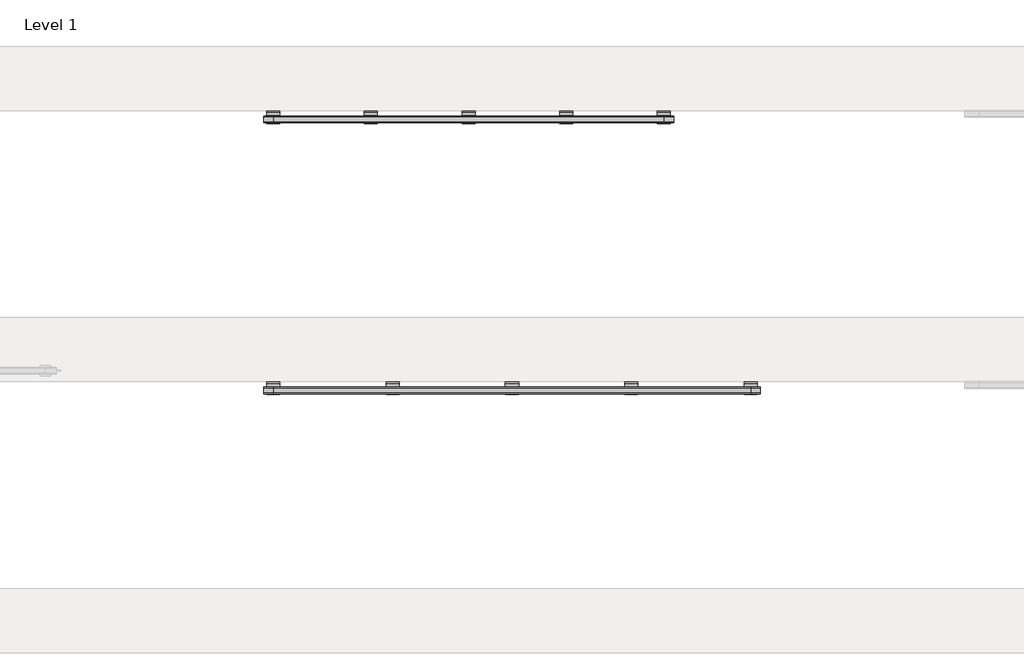
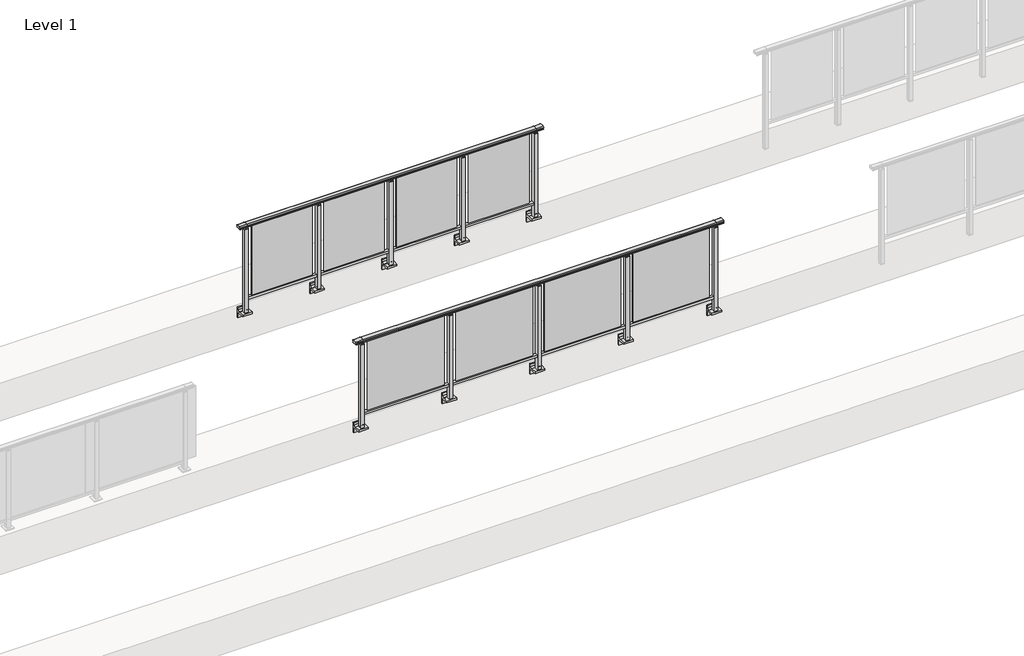
# One storey, part 48 of 64: 2 railings.
"""IFC4 building model written with IfcOpenShell, lengths in millimetres."""

from ifc_helpers import new_model, si_unit, point, frame, frame_2d, origin, place, context, project, spatial, polyline, circle_curve, trimmed, segment, composite_curve, outline, extrude, element, save
from ifc_brep_helpers import plane_surface, cylinder_surface, revolved_surface, advanced_brep

model = new_model("IFC4")

# Units and contexts
model_context = context("Model", 3, world=origin())
ifc_project = project(units=[si_unit("LENGTHUNIT", "METRE", prefix="MILLI")], contexts=[model_context])

# Site, building, storey
site = spatial("IfcSite", under=ifc_project)
building = spatial("IfcBuilding", under=site)
storey = spatial("IfcBuildingStorey", under=building, Name="Level 1", Elevation=0.0)

# Railings
placement = place(None, origin())
element("IfcRailing", 1, at=placement, inside=storey, context=model_context, shape_type="SolidModel", body=[
    advanced_brep(
    [(42910.0, 19842.8633756, 1095.6691182), (42910.0, 19847.6846828, 1081.1334092), (42910.0, 19846.7413744, 1069.2539035), (42910.0, 19848.6364177, 1061.4863007), (42910.0, 19846.9894799, 1060.384124), (42910.0, 19846.9894799, 1062.0), (42910.0, 19788.3798858, 1062.0), (42910.0, 19788.3798858, 1060.384124), (42910.0, 19786.732948, 1061.4863007), (42910.0, 19788.6279912, 1069.2539035), (42910.0, 19787.6846828, 1081.1334092), (42910.0, 19792.50599, 1095.6691182), (47490.0, 19842.8633756, 1095.6691182), (47490.0, 19792.50599, 1095.6691182), (47490.0, 19787.6846828, 1081.1334092), (47490.0, 19788.6279912, 1069.2539035), (47490.0, 19786.732948, 1061.4863007), (47490.0, 19788.3798858, 1060.384124), (47490.0, 19788.3798858, 1062.0), (47490.0, 19846.9894799, 1062.0), (47490.0, 19846.9894799, 1060.384124), (47490.0, 19848.6364177, 1061.4863007), (47490.0, 19846.7413744, 1069.2539035), (47490.0, 19847.6846828, 1081.1334092), (43000.0, 19842.8633756, 1095.6691182), (43000.0, 19847.6846828, 1081.1334092), (43000.0, 19846.7413744, 1069.2539035), (43000.0, 19848.6364177, 1061.4863007), (43000.0, 19846.9894799, 1060.384124), (43000.0, 19846.9894799, 1062.0), (43000.0, 19788.3798858, 1062.0), (43000.0, 19788.3798858, 1060.384124), (43000.0, 19786.732948, 1061.4863007), (43000.0, 19788.6279912, 1069.2539035), (43000.0, 19787.6846828, 1081.1334092), (43000.0, 19792.50599, 1095.6691182), (47400.0, 19842.8633756, 1095.6691182), (47400.0, 19847.6846828, 1081.1334092), (47400.0, 19846.7413744, 1069.2539035), (47400.0, 19848.6364177, 1061.4863007), (47400.0, 19846.9894799, 1060.384124), (47400.0, 19846.9894799, 1062.0), (47400.0, 19788.3798858, 1062.0), (47400.0, 19788.3798858, 1060.384124), (47400.0, 19786.732948, 1061.4863007), (47400.0, 19788.6279912, 1069.2539035), (47400.0, 19787.6846828, 1081.1334092), (47400.0, 19792.50599, 1095.6691182)],
    [
        (0, 1, circle_curve(frame((42910.0, 19839.6223845, 1086.526686), z_axis=(-1.0, 0.0, 0.0), x_axis=(0.0, -1.0, 0.0)), 9.6999015)),
        (1, 2, circle_curve(frame((42910.0, 19865.2252545, 1073.7633709), z_axis=(1.0, 0.0, 0.0), x_axis=(0.0, -1.0, 0.0)), 19.0260117)),
        (2, 3),
        (3, 4, circle_curve(frame((42910.0, 19847.7772073, 1060.9886194), z_axis=(-1.0, 0.0, 0.0), x_axis=(0.0, -1.0, 0.0)), 0.9929396)),
        (4, 5),
        (5, 6),
        (6, 7),
        (7, 8, circle_curve(frame((42910.0, 19787.5921584, 1060.9886194), z_axis=(-1.0, 0.0, 0.0), x_axis=(0.0, 1.0, 0.0)), 0.9929396)),
        (8, 9),
        (9, 10, circle_curve(frame((42910.0, 19770.1441111, 1073.7633709), z_axis=(1.0, 0.0, 0.0), x_axis=(0.0, 1.0, 0.0)), 19.0260117)),
        (10, 11, circle_curve(frame((42910.0, 19795.7469812, 1086.526686), z_axis=(-1.0, 0.0, 0.0), x_axis=(0.0, 1.0, 0.0)), 9.6999015)),
        (11, 0, circle_curve(frame((42910.0, 19817.6846828, 1024.6431628), z_axis=(-1.0, 0.0, 0.0), x_axis=(0.0, 1.0, 0.0)), 75.3568372)),
        (12, 13, circle_curve(frame((47490.0, 19817.6846828, 1024.6431628), z_axis=(1.0, 0.0, 0.0), x_axis=(0.0, 1.0, 0.0)), 75.3568372)),
        (13, 14, circle_curve(frame((47490.0, 19795.7469812, 1086.526686), z_axis=(1.0, 0.0, 0.0), x_axis=(0.0, 1.0, 0.0)), 9.6999015)),
        (14, 15, circle_curve(frame((47490.0, 19770.1441111, 1073.7633709), z_axis=(-1.0, 0.0, 0.0), x_axis=(0.0, 1.0, 0.0)), 19.0260117)),
        (15, 16),
        (16, 17, circle_curve(frame((47490.0, 19787.5921584, 1060.9886194), z_axis=(1.0, 0.0, 0.0), x_axis=(0.0, 1.0, 0.0)), 0.9929396)),
        (17, 18),
        (18, 19),
        (19, 20),
        (20, 21, circle_curve(frame((47490.0, 19847.7772073, 1060.9886194), z_axis=(1.0, 0.0, 0.0), x_axis=(0.0, -1.0, 0.0)), 0.9929396)),
        (21, 22),
        (22, 23, circle_curve(frame((47490.0, 19865.2252545, 1073.7633709), z_axis=(-1.0, 0.0, 0.0), x_axis=(0.0, -1.0, 0.0)), 19.0260117)),
        (23, 12, circle_curve(frame((47490.0, 19839.6223845, 1086.526686), z_axis=(1.0, 0.0, 0.0), x_axis=(0.0, -1.0, 0.0)), 9.6999015)),
        (0, 24),
        (24, 25, circle_curve(frame((43000.0, 19839.6223845, 1086.526686), z_axis=(-1.0, 0.0, 0.0), x_axis=(0.0, -1.0, 0.0)), 9.6999015)),
        (25, 1),
        (25, 26, circle_curve(frame((43000.0, 19865.2252545, 1073.7633709), z_axis=(1.0, 0.0, 0.0), x_axis=(0.0, -1.0, 0.0)), 19.0260117)),
        (26, 2),
        (26, 27),
        (27, 3),
        (27, 28, circle_curve(frame((43000.0, 19847.7772073, 1060.9886194), z_axis=(-1.0, 0.0, 0.0), x_axis=(0.0, -1.0, 0.0)), 0.9929396)),
        (28, 4),
        (28, 29),
        (29, 5),
        (29, 30),
        (30, 6),
        (30, 31),
        (31, 7),
        (31, 32, circle_curve(frame((43000.0, 19787.5921584, 1060.9886194), z_axis=(-1.0, 0.0, 0.0), x_axis=(0.0, 1.0, 0.0)), 0.9929396)),
        (32, 8),
        (32, 33),
        (33, 9),
        (33, 34, circle_curve(frame((43000.0, 19770.1441111, 1073.7633709), z_axis=(1.0, 0.0, 0.0), x_axis=(0.0, 1.0, 0.0)), 19.0260117)),
        (34, 10),
        (34, 35, circle_curve(frame((43000.0, 19795.7469812, 1086.526686), z_axis=(-1.0, 0.0, 0.0), x_axis=(0.0, 1.0, 0.0)), 9.6999015)),
        (35, 11),
        (35, 24, circle_curve(frame((43000.0, 19817.6846828, 1024.6431628), z_axis=(-1.0, 0.0, 0.0), x_axis=(0.0, 1.0, 0.0)), 75.3568372)),
        (24, 36),
        (36, 37, circle_curve(frame((47400.0, 19839.6223845, 1086.526686), z_axis=(-1.0, 0.0, 0.0), x_axis=(0.0, -1.0, 0.0)), 9.6999015)),
        (37, 25),
        (37, 38, circle_curve(frame((47400.0, 19865.2252545, 1073.7633709), z_axis=(1.0, 0.0, 0.0), x_axis=(0.0, -1.0, 0.0)), 19.0260117)),
        (38, 26),
        (38, 39),
        (39, 27),
        (39, 40, circle_curve(frame((47400.0, 19847.7772073, 1060.9886194), z_axis=(-1.0, 0.0, 0.0), x_axis=(0.0, -1.0, 0.0)), 0.9929396)),
        (40, 28),
        (40, 41),
        (41, 29),
        (41, 42),
        (42, 30),
        (42, 43),
        (43, 31),
        (43, 44, circle_curve(frame((47400.0, 19787.5921584, 1060.9886194), z_axis=(-1.0, 0.0, 0.0), x_axis=(0.0, 1.0, 0.0)), 0.9929396)),
        (44, 32),
        (44, 45),
        (45, 33),
        (45, 46, circle_curve(frame((47400.0, 19770.1441111, 1073.7633709), z_axis=(1.0, 0.0, 0.0), x_axis=(0.0, 1.0, 0.0)), 19.0260117)),
        (46, 34),
        (46, 47, circle_curve(frame((47400.0, 19795.7469812, 1086.526686), z_axis=(-1.0, 0.0, 0.0), x_axis=(0.0, 1.0, 0.0)), 9.6999015)),
        (47, 35),
        (47, 36, circle_curve(frame((47400.0, 19817.6846828, 1024.6431628), z_axis=(-1.0, 0.0, 0.0), x_axis=(0.0, 1.0, 0.0)), 75.3568372)),
        (36, 12),
        (23, 37),
        (22, 38),
        (21, 39),
        (20, 40),
        (19, 41),
        (18, 42),
        (17, 43),
        (16, 44),
        (15, 45),
        (14, 46),
        (13, 47),
    ],
    [
        plane_surface(frame((42910.0, 19817.6846828, 1100.0), z_axis=(-1.0, 0.0, 0.0), x_axis=(0.0, 1.0, 0.0))),
        plane_surface(frame((47490.0, 19817.6846828, 1100.0), z_axis=(1.0, 0.0, 0.0), x_axis=(0.0, 1.0, 0.0))),
        cylinder_surface(frame((42910.0, 19839.6223845, 1086.526686), z_axis=(-1.0, 0.0, 0.0), x_axis=(0.0, -1.0, 0.0)), 9.6999015),
        revolved_surface(polyline([(43000.0, 19846.1992428, 1073.7633709), (42910.0, 19846.1992428, 1073.7633709)]), (42910.0, 19865.2252545, 1073.7633709), (1.0, 0.0, 0.0)),
        plane_surface(frame((42910.0, 19846.7413744, 1069.2539035), z_axis=(0.0, 0.9715057689301543, 0.2370159086125439), x_axis=(1.0, 0.0, 0.0))),
        cylinder_surface(frame((42910.0, 19847.7772073, 1060.9886194), z_axis=(-1.0, 0.0, 0.0), x_axis=(0.0, -1.0, 0.0)), 0.9929396),
        plane_surface(frame((42910.0, 19846.9894799, 1060.384124), z_axis=(0.0, -1.0, 0.0), x_axis=(1.0, 0.0, 0.0))),
        plane_surface(frame((42910.0, 19846.9894799, 1062.0), z_axis=(0.0, 0.0, -1.0), x_axis=(1.0, 0.0, 0.0))),
        plane_surface(frame((42910.0, 19788.3798858, 1062.0), z_axis=(0.0, 1.0, 0.0), x_axis=(1.0, 0.0, 0.0))),
        cylinder_surface(frame((42910.0, 19787.5921584, 1060.9886194), z_axis=(-1.0, 0.0, 0.0), x_axis=(0.0, 1.0, 0.0)), 0.9929396),
        plane_surface(frame((42910.0, 19786.732948, 1061.4863007), z_axis=(0.0, -0.9715057689301543, 0.2370159086125439), x_axis=(1.0, 0.0, 0.0))),
        revolved_surface(polyline([(43000.0, 19789.1701228, 1073.7633709), (42910.0, 19789.1701228, 1073.7633709)]), (42910.0, 19770.1441111, 1073.7633709), (1.0, 0.0, 0.0)),
        cylinder_surface(frame((42910.0, 19795.7469812, 1086.526686), z_axis=(-1.0, 0.0, 0.0), x_axis=(0.0, 1.0, 0.0)), 9.6999015),
        cylinder_surface(frame((42910.0, 19817.6846828, 1024.6431628), z_axis=(-1.0, 0.0, 0.0), x_axis=(0.0, 1.0, 0.0)), 75.3568372),
        cylinder_surface(frame((43000.0, 19839.6223845, 1086.526686), z_axis=(-1.0, 0.0, 0.0), x_axis=(0.0, -1.0, 0.0)), 9.6999015),
        revolved_surface(polyline([(47400.0, 19846.1992428, 1073.7633709), (43000.0, 19846.1992428, 1073.7633709)]), (43000.0, 19865.2252545, 1073.7633709), (1.0, 0.0, 0.0)),
        plane_surface(frame((43000.0, 19846.7413744, 1069.2539035), z_axis=(0.0, 0.9715057689301543, 0.2370159086125439), x_axis=(1.0, 0.0, 0.0))),
        cylinder_surface(frame((43000.0, 19847.7772073, 1060.9886194), z_axis=(-1.0, 0.0, 0.0), x_axis=(0.0, -1.0, 0.0)), 0.9929396),
        plane_surface(frame((43000.0, 19846.9894799, 1060.384124), z_axis=(0.0, -1.0, 0.0), x_axis=(1.0, 0.0, 0.0))),
        plane_surface(frame((43000.0, 19846.9894799, 1062.0), z_axis=(0.0, 0.0, -1.0), x_axis=(1.0, 0.0, 0.0))),
        plane_surface(frame((43000.0, 19788.3798858, 1062.0), z_axis=(0.0, 1.0, 0.0), x_axis=(1.0, 0.0, 0.0))),
        cylinder_surface(frame((43000.0, 19787.5921584, 1060.9886194), z_axis=(-1.0, 0.0, 0.0), x_axis=(0.0, 1.0, 0.0)), 0.9929396),
        plane_surface(frame((43000.0, 19786.732948, 1061.4863007), z_axis=(0.0, -0.9715057689301543, 0.2370159086125439), x_axis=(1.0, 0.0, 0.0))),
        revolved_surface(polyline([(47400.0, 19789.1701228, 1073.7633709), (43000.0, 19789.1701228, 1073.7633709)]), (43000.0, 19770.1441111, 1073.7633709), (1.0, 0.0, 0.0)),
        cylinder_surface(frame((43000.0, 19795.7469812, 1086.526686), z_axis=(-1.0, 0.0, 0.0), x_axis=(0.0, 1.0, 0.0)), 9.6999015),
        cylinder_surface(frame((43000.0, 19817.6846828, 1024.6431628), z_axis=(-1.0, 0.0, 0.0), x_axis=(0.0, 1.0, 0.0)), 75.3568372),
        cylinder_surface(frame((47400.0, 19839.6223845, 1086.526686), z_axis=(-1.0, 0.0, 0.0), x_axis=(0.0, -1.0, 0.0)), 9.6999015),
        revolved_surface(polyline([(47490.0, 19846.1992428, 1073.7633709), (47400.0, 19846.1992428, 1073.7633709)]), (47400.0, 19865.2252545, 1073.7633709), (1.0, 0.0, 0.0)),
        plane_surface(frame((47400.0, 19846.7413744, 1069.2539035), z_axis=(0.0, 0.9715057689301543, 0.2370159086125439), x_axis=(1.0, 0.0, 0.0))),
        cylinder_surface(frame((47400.0, 19847.7772073, 1060.9886194), z_axis=(-1.0, 0.0, 0.0), x_axis=(0.0, -1.0, 0.0)), 0.9929396),
        plane_surface(frame((47400.0, 19846.9894799, 1060.384124), z_axis=(0.0, -1.0, 0.0), x_axis=(1.0, 0.0, 0.0))),
        plane_surface(frame((47400.0, 19846.9894799, 1062.0), z_axis=(0.0, 0.0, -1.0), x_axis=(1.0, 0.0, 0.0))),
        plane_surface(frame((47400.0, 19788.3798858, 1062.0), z_axis=(0.0, 1.0, 0.0), x_axis=(1.0, 0.0, 0.0))),
        cylinder_surface(frame((47400.0, 19787.5921584, 1060.9886194), z_axis=(-1.0, 0.0, 0.0), x_axis=(0.0, 1.0, 0.0)), 0.9929396),
        plane_surface(frame((47400.0, 19786.732948, 1061.4863007), z_axis=(0.0, -0.9715057689301543, 0.2370159086125439), x_axis=(1.0, 0.0, 0.0))),
        revolved_surface(polyline([(47490.0, 19789.1701228, 1073.7633709), (47400.0, 19789.1701228, 1073.7633709)]), (47400.0, 19770.1441111, 1073.7633709), (1.0, 0.0, 0.0)),
        cylinder_surface(frame((47400.0, 19795.7469812, 1086.526686), z_axis=(-1.0, 0.0, 0.0), x_axis=(0.0, 1.0, 0.0)), 9.6999015),
        cylinder_surface(frame((47400.0, 19817.6846828, 1024.6431628), z_axis=(-1.0, 0.0, 0.0), x_axis=(0.0, 1.0, 0.0)), 75.3568372),
    ],
    [
        (0, [[1, 2, 3, 4, 5, 6, 7, 8, 9, 10, 11, 12]]),
        (1, [[13, 14, 15, 16, 17, 18, 19, 20, 21, 22, 23, 24]]),
        (2, [[-1, 25, 26, 27]]),
        (3, [[-2, -27, 28, 29]]),
        (4, [[-3, -29, 30, 31]]),
        (5, [[-4, -31, 32, 33]]),
        (6, [[-5, -33, 34, 35]]),
        (7, [[-6, -35, 36, 37]]),
        (8, [[-7, -37, 38, 39]]),
        (9, [[-8, -39, 40, 41]]),
        (10, [[-9, -41, 42, 43]]),
        (11, [[-10, -43, 44, 45]]),
        (12, [[-11, -45, 46, 47]]),
        (13, [[-12, -47, 48, -25]]),
        (14, [[-26, 49, 50, 51]]),
        (15, [[-28, -51, 52, 53]]),
        (16, [[-30, -53, 54, 55]]),
        (17, [[-32, -55, 56, 57]]),
        (18, [[-34, -57, 58, 59]]),
        (19, [[-36, -59, 60, 61]]),
        (20, [[-38, -61, 62, 63]]),
        (21, [[-40, -63, 64, 65]]),
        (22, [[-42, -65, 66, 67]]),
        (23, [[-44, -67, 68, 69]]),
        (24, [[-46, -69, 70, 71]]),
        (25, [[-48, -71, 72, -49]]),
        (26, [[-50, 73, -24, 74]]),
        (27, [[-52, -74, -23, 75]]),
        (28, [[-54, -75, -22, 76]]),
        (29, [[-56, -76, -21, 77]]),
        (30, [[-58, -77, -20, 78]]),
        (31, [[-60, -78, -19, 79]]),
        (32, [[-62, -79, -18, 80]]),
        (33, [[-64, -80, -17, 81]]),
        (34, [[-66, -81, -16, 82]]),
        (35, [[-68, -82, -15, 83]]),
        (36, [[-70, -83, -14, 84]]),
        (37, [[-72, -84, -13, -73]]),
    ],
),
    extrude(outline(polyline([(43000.0, 19800.1846828), (43000.0, 19835.1846828), (47400.0, 19835.1846828), (47400.0, 19800.1846828), (43000.0, 19800.1846828)])), frame((0.0, 0.0, 95.0), z_axis=(0.0, 0.0, 1.0), x_axis=(1.0, 0.0, 0.0)), (0.0, 0.0, 1.0), 30.0),
    extrude(outline(polyline([(46372.5, 19815.9094929), (46372.5, 19821.9094929), (47327.5, 19821.9094929), (47327.5, 19815.9094929), (46372.5, 19815.9094929)])), frame((0.0, 0.0, 125.0), z_axis=(0.0, 0.0, 1.0), x_axis=(1.0, 0.0, 0.0)), (0.0, 0.0, 1.0), 930.0),
    extrude(outline(composite_curve([segment(polyline([(19850.1846828, -70.0), (19884.1846828, -63.0), (19884.1846828, -32.5), (19900.1846828, -32.5), (19900.1846828, -167.5), (19884.1846828, -167.5), (19884.1846828, -113.5)]), True, "CONTINUOUS"), segment(trimmed(circle_curve(frame_2d((19864.1846828, -113.5)), 20.0), [point((19884.1846828, -113.5))], [point((19864.1846828, -93.5))], True, "CARTESIAN"), True, "CONTINUOUS"), segment(polyline([(19864.1846828, -93.5), (19780.1846828, -93.5), (19780.1846828, -70.0), (19850.1846828, -70.0)]), True, "CONTINUOUS")], self_intersect=False)), frame((46240.0, 0.0, 0.0), z_axis=(1.0, 0.0, 0.0), x_axis=(0.0, 1.0, 0.0)), (0.0, 0.0, 1.0), 120.0),
    extrude(outline(polyline([(46322.5, 19840.1846828), (46322.5, 19795.1846828), (46277.5, 19795.1846828), (46277.5, 19840.1846828), (46322.5, 19840.1846828)])), frame((0.0, 0.0, -70.0), z_axis=(0.0, 0.0, 1.0), x_axis=(1.0, 0.0, 0.0)), (0.0, 0.0, 1.0), 1097.0),
    extrude(outline(polyline([(46310.0, 19827.6846828), (46310.0, 19807.6846828), (46290.0, 19807.6846828), (46290.0, 19827.6846828), (46310.0, 19827.6846828)])), frame((0.0, 0.0, 1035.0), z_axis=(0.0, 0.0, 1.0), x_axis=(1.0, 0.0, 0.0)), (0.0, 0.0, 1.0), 20.0),
    extrude(outline(polyline([(46322.5, 19840.1846828), (46322.5, 19795.1846828), (46277.5, 19795.1846828), (46277.5, 19840.1846828), (46322.5, 19840.1846828)])), frame((0.0, 0.0, 1027.0), z_axis=(0.0, 0.0, 1.0), x_axis=(1.0, 0.0, 0.0)), (0.0, 0.0, 1.0), 8.0),
    extrude(outline(polyline([(45272.5, 19815.9094929), (45272.5, 19821.9094929), (46227.5, 19821.9094929), (46227.5, 19815.9094929), (45272.5, 19815.9094929)])), frame((0.0, 0.0, 125.0), z_axis=(0.0, 0.0, 1.0), x_axis=(1.0, 0.0, 0.0)), (0.0, 0.0, 1.0), 930.0),
    extrude(outline(composite_curve([segment(polyline([(19850.1846828, -70.0), (19884.1846828, -63.0), (19884.1846828, -32.5), (19900.1846828, -32.5), (19900.1846828, -167.5), (19884.1846828, -167.5), (19884.1846828, -113.5)]), True, "CONTINUOUS"), segment(trimmed(circle_curve(frame_2d((19864.1846828, -113.5)), 20.0), [point((19884.1846828, -113.5))], [point((19864.1846828, -93.5))], True, "CARTESIAN"), True, "CONTINUOUS"), segment(polyline([(19864.1846828, -93.5), (19780.1846828, -93.5), (19780.1846828, -70.0), (19850.1846828, -70.0)]), True, "CONTINUOUS")], self_intersect=False)), frame((45140.0, 0.0, 0.0), z_axis=(1.0, 0.0, 0.0), x_axis=(0.0, 1.0, 0.0)), (0.0, 0.0, 1.0), 120.0),
    extrude(outline(polyline([(45222.5, 19840.1846828), (45222.5, 19795.1846828), (45177.5, 19795.1846828), (45177.5, 19840.1846828), (45222.5, 19840.1846828)])), frame((0.0, 0.0, -70.0), z_axis=(0.0, 0.0, 1.0), x_axis=(1.0, 0.0, 0.0)), (0.0, 0.0, 1.0), 1097.0),
    extrude(outline(polyline([(45210.0, 19827.6846828), (45210.0, 19807.6846828), (45190.0, 19807.6846828), (45190.0, 19827.6846828), (45210.0, 19827.6846828)])), frame((0.0, 0.0, 1035.0), z_axis=(0.0, 0.0, 1.0), x_axis=(1.0, 0.0, 0.0)), (0.0, 0.0, 1.0), 20.0),
    extrude(outline(polyline([(45222.5, 19840.1846828), (45222.5, 19795.1846828), (45177.5, 19795.1846828), (45177.5, 19840.1846828), (45222.5, 19840.1846828)])), frame((0.0, 0.0, 1027.0), z_axis=(0.0, 0.0, 1.0), x_axis=(1.0, 0.0, 0.0)), (0.0, 0.0, 1.0), 8.0),
    extrude(outline(polyline([(44172.5, 19815.9094929), (44172.5, 19821.9094929), (45127.5, 19821.9094929), (45127.5, 19815.9094929), (44172.5, 19815.9094929)])), frame((0.0, 0.0, 125.0), z_axis=(0.0, 0.0, 1.0), x_axis=(1.0, 0.0, 0.0)), (0.0, 0.0, 1.0), 930.0),
    extrude(outline(composite_curve([segment(polyline([(19850.1846828, -70.0), (19884.1846828, -63.0), (19884.1846828, -32.5), (19900.1846828, -32.5), (19900.1846828, -167.5), (19884.1846828, -167.5), (19884.1846828, -113.5)]), True, "CONTINUOUS"), segment(trimmed(circle_curve(frame_2d((19864.1846828, -113.5)), 20.0), [point((19884.1846828, -113.5))], [point((19864.1846828, -93.5))], True, "CARTESIAN"), True, "CONTINUOUS"), segment(polyline([(19864.1846828, -93.5), (19780.1846828, -93.5), (19780.1846828, -70.0), (19850.1846828, -70.0)]), True, "CONTINUOUS")], self_intersect=False)), frame((44040.0, 0.0, 0.0), z_axis=(1.0, 0.0, 0.0), x_axis=(0.0, 1.0, 0.0)), (0.0, 0.0, 1.0), 120.0),
    extrude(outline(polyline([(44122.5, 19840.1846828), (44122.5, 19795.1846828), (44077.5, 19795.1846828), (44077.5, 19840.1846828), (44122.5, 19840.1846828)])), frame((0.0, 0.0, -70.0), z_axis=(0.0, 0.0, 1.0), x_axis=(1.0, 0.0, 0.0)), (0.0, 0.0, 1.0), 1097.0),
    extrude(outline(polyline([(44110.0, 19827.6846828), (44110.0, 19807.6846828), (44090.0, 19807.6846828), (44090.0, 19827.6846828), (44110.0, 19827.6846828)])), frame((0.0, 0.0, 1035.0), z_axis=(0.0, 0.0, 1.0), x_axis=(1.0, 0.0, 0.0)), (0.0, 0.0, 1.0), 20.0),
    extrude(outline(polyline([(44122.5, 19840.1846828), (44122.5, 19795.1846828), (44077.5, 19795.1846828), (44077.5, 19840.1846828), (44122.5, 19840.1846828)])), frame((0.0, 0.0, 1027.0), z_axis=(0.0, 0.0, 1.0), x_axis=(1.0, 0.0, 0.0)), (0.0, 0.0, 1.0), 8.0),
    extrude(outline(polyline([(43072.5, 19815.9094929), (43072.5, 19821.9094929), (44027.5, 19821.9094929), (44027.5, 19815.9094929), (43072.5, 19815.9094929)])), frame((0.0, 0.0, 125.0), z_axis=(0.0, 0.0, 1.0), x_axis=(1.0, 0.0, 0.0)), (0.0, 0.0, 1.0), 930.0),
    extrude(outline(composite_curve([segment(polyline([(19850.1846828, -70.0), (19884.1846828, -63.0), (19884.1846828, -32.5), (19900.1846828, -32.5), (19900.1846828, -167.5), (19884.1846828, -167.5), (19884.1846828, -113.5)]), True, "CONTINUOUS"), segment(trimmed(circle_curve(frame_2d((19864.1846828, -113.5)), 20.0), [point((19884.1846828, -113.5))], [point((19864.1846828, -93.5))], True, "CARTESIAN"), True, "CONTINUOUS"), segment(polyline([(19864.1846828, -93.5), (19780.1846828, -93.5), (19780.1846828, -70.0), (19850.1846828, -70.0)]), True, "CONTINUOUS")], self_intersect=False)), frame((47340.0, 0.0, 0.0), z_axis=(1.0, 0.0, 0.0), x_axis=(0.0, 1.0, 0.0)), (0.0, 0.0, 1.0), 120.0),
    extrude(outline(polyline([(47422.5, 19840.1846828), (47422.5, 19795.1846828), (47377.5, 19795.1846828), (47377.5, 19840.1846828), (47422.5, 19840.1846828)])), frame((0.0, 0.0, -70.0), z_axis=(0.0, 0.0, 1.0), x_axis=(1.0, 0.0, 0.0)), (0.0, 0.0, 1.0), 1097.0),
    extrude(outline(polyline([(47410.0, 19827.6846828), (47410.0, 19807.6846828), (47390.0, 19807.6846828), (47390.0, 19827.6846828), (47410.0, 19827.6846828)])), frame((0.0, 0.0, 1035.0), z_axis=(0.0, 0.0, 1.0), x_axis=(1.0, 0.0, 0.0)), (0.0, 0.0, 1.0), 20.0),
    extrude(outline(polyline([(47422.5, 19840.1846828), (47422.5, 19795.1846828), (47377.5, 19795.1846828), (47377.5, 19840.1846828), (47422.5, 19840.1846828)])), frame((0.0, 0.0, 1027.0), z_axis=(0.0, 0.0, 1.0), x_axis=(1.0, 0.0, 0.0)), (0.0, 0.0, 1.0), 8.0),
    extrude(outline(composite_curve([segment(polyline([(19850.1846828, -70.0), (19884.1846828, -63.0), (19884.1846828, -32.5), (19900.1846828, -32.5), (19900.1846828, -167.5), (19884.1846828, -167.5), (19884.1846828, -113.5)]), True, "CONTINUOUS"), segment(trimmed(circle_curve(frame_2d((19864.1846828, -113.5)), 20.0), [point((19884.1846828, -113.5))], [point((19864.1846828, -93.5))], True, "CARTESIAN"), True, "CONTINUOUS"), segment(polyline([(19864.1846828, -93.5), (19780.1846828, -93.5), (19780.1846828, -70.0), (19850.1846828, -70.0)]), True, "CONTINUOUS")], self_intersect=False)), frame((42940.0, 0.0, 0.0), z_axis=(1.0, 0.0, 0.0), x_axis=(0.0, 1.0, 0.0)), (0.0, 0.0, 1.0), 120.0),
    extrude(outline(polyline([(43022.5, 19840.1846828), (43022.5, 19795.1846828), (42977.5, 19795.1846828), (42977.5, 19840.1846828), (43022.5, 19840.1846828)])), frame((0.0, 0.0, -70.0), z_axis=(0.0, 0.0, 1.0), x_axis=(1.0, 0.0, 0.0)), (0.0, 0.0, 1.0), 1097.0),
    extrude(outline(polyline([(43010.0, 19827.6846828), (43010.0, 19807.6846828), (42990.0, 19807.6846828), (42990.0, 19827.6846828), (43010.0, 19827.6846828)])), frame((0.0, 0.0, 1035.0), z_axis=(0.0, 0.0, 1.0), x_axis=(1.0, 0.0, 0.0)), (0.0, 0.0, 1.0), 20.0),
    extrude(outline(polyline([(43022.5, 19840.1846828), (43022.5, 19795.1846828), (42977.5, 19795.1846828), (42977.5, 19840.1846828), (43022.5, 19840.1846828)])), frame((0.0, 0.0, 1027.0), z_axis=(0.0, 0.0, 1.0), x_axis=(1.0, 0.0, 0.0)), (0.0, 0.0, 1.0), 8.0),
])
element("IfcRailing", 2, at=placement, inside=storey, context=model_context, shape_type="SolidModel", body=[
    advanced_brep(
    [(42910.0, 22342.8633756, 1095.6691182), (42910.0, 22347.6846828, 1081.1334092), (42910.0, 22346.7413744, 1069.2539035), (42910.0, 22348.6364177, 1061.4863007), (42910.0, 22346.9894799, 1060.384124), (42910.0, 22346.9894799, 1062.0), (42910.0, 22288.3798858, 1062.0), (42910.0, 22288.3798858, 1060.384124), (42910.0, 22286.732948, 1061.4863007), (42910.0, 22288.6279912, 1069.2539035), (42910.0, 22287.6846828, 1081.1334092), (42910.0, 22292.50599, 1095.6691182), (46690.0, 22342.8633756, 1095.6691182), (46690.0, 22292.50599, 1095.6691182), (46690.0, 22287.6846828, 1081.1334092), (46690.0, 22288.6279912, 1069.2539035), (46690.0, 22286.732948, 1061.4863007), (46690.0, 22288.3798858, 1060.384124), (46690.0, 22288.3798858, 1062.0), (46690.0, 22346.9894799, 1062.0), (46690.0, 22346.9894799, 1060.384124), (46690.0, 22348.6364177, 1061.4863007), (46690.0, 22346.7413744, 1069.2539035), (46690.0, 22347.6846828, 1081.1334092), (43000.0, 22342.8633756, 1095.6691182), (43000.0, 22347.6846828, 1081.1334092), (43000.0, 22346.7413744, 1069.2539035), (43000.0, 22348.6364177, 1061.4863007), (43000.0, 22346.9894799, 1060.384124), (43000.0, 22346.9894799, 1062.0), (43000.0, 22288.3798858, 1062.0), (43000.0, 22288.3798858, 1060.384124), (43000.0, 22286.732948, 1061.4863007), (43000.0, 22288.6279912, 1069.2539035), (43000.0, 22287.6846828, 1081.1334092), (43000.0, 22292.50599, 1095.6691182), (46600.0, 22342.8633756, 1095.6691182), (46600.0, 22347.6846828, 1081.1334092), (46600.0, 22346.7413744, 1069.2539035), (46600.0, 22348.6364177, 1061.4863007), (46600.0, 22346.9894799, 1060.384124), (46600.0, 22346.9894799, 1062.0), (46600.0, 22288.3798858, 1062.0), (46600.0, 22288.3798858, 1060.384124), (46600.0, 22286.732948, 1061.4863007), (46600.0, 22288.6279912, 1069.2539035), (46600.0, 22287.6846828, 1081.1334092), (46600.0, 22292.50599, 1095.6691182)],
    [
        (0, 1, circle_curve(frame((42910.0, 22339.6223845, 1086.526686), z_axis=(-1.0, 0.0, 0.0), x_axis=(0.0, -1.0, 0.0)), 9.6999015)),
        (1, 2, circle_curve(frame((42910.0, 22365.2252545, 1073.7633709), z_axis=(1.0, 0.0, 0.0), x_axis=(0.0, -1.0, 0.0)), 19.0260117)),
        (2, 3),
        (3, 4, circle_curve(frame((42910.0, 22347.7772073, 1060.9886194), z_axis=(-1.0, 0.0, 0.0), x_axis=(0.0, -1.0, 0.0)), 0.9929396)),
        (4, 5),
        (5, 6),
        (6, 7),
        (7, 8, circle_curve(frame((42910.0, 22287.5921584, 1060.9886194), z_axis=(-1.0, 0.0, 0.0), x_axis=(0.0, 1.0, 0.0)), 0.9929396)),
        (8, 9),
        (9, 10, circle_curve(frame((42910.0, 22270.1441111, 1073.7633709), z_axis=(1.0, 0.0, 0.0), x_axis=(0.0, 1.0, 0.0)), 19.0260117)),
        (10, 11, circle_curve(frame((42910.0, 22295.7469812, 1086.526686), z_axis=(-1.0, 0.0, 0.0), x_axis=(0.0, 1.0, 0.0)), 9.6999015)),
        (11, 0, circle_curve(frame((42910.0, 22317.6846828, 1024.6431628), z_axis=(-1.0, 0.0, 0.0), x_axis=(0.0, 1.0, 0.0)), 75.3568372)),
        (12, 13, circle_curve(frame((46690.0, 22317.6846828, 1024.6431628), z_axis=(1.0, 0.0, 0.0), x_axis=(0.0, 1.0, 0.0)), 75.3568372)),
        (13, 14, circle_curve(frame((46690.0, 22295.7469812, 1086.526686), z_axis=(1.0, 0.0, 0.0), x_axis=(0.0, 1.0, 0.0)), 9.6999015)),
        (14, 15, circle_curve(frame((46690.0, 22270.1441111, 1073.7633709), z_axis=(-1.0, 0.0, 0.0), x_axis=(0.0, 1.0, 0.0)), 19.0260117)),
        (15, 16),
        (16, 17, circle_curve(frame((46690.0, 22287.5921584, 1060.9886194), z_axis=(1.0, 0.0, 0.0), x_axis=(0.0, 1.0, 0.0)), 0.9929396)),
        (17, 18),
        (18, 19),
        (19, 20),
        (20, 21, circle_curve(frame((46690.0, 22347.7772073, 1060.9886194), z_axis=(1.0, 0.0, 0.0), x_axis=(0.0, -1.0, 0.0)), 0.9929396)),
        (21, 22),
        (22, 23, circle_curve(frame((46690.0, 22365.2252545, 1073.7633709), z_axis=(-1.0, 0.0, 0.0), x_axis=(0.0, -1.0, 0.0)), 19.0260117)),
        (23, 12, circle_curve(frame((46690.0, 22339.6223845, 1086.526686), z_axis=(1.0, 0.0, 0.0), x_axis=(0.0, -1.0, 0.0)), 9.6999015)),
        (0, 24),
        (24, 25, circle_curve(frame((43000.0, 22339.6223845, 1086.526686), z_axis=(-1.0, 0.0, 0.0), x_axis=(0.0, -1.0, 0.0)), 9.6999015)),
        (25, 1),
        (25, 26, circle_curve(frame((43000.0, 22365.2252545, 1073.7633709), z_axis=(1.0, 0.0, 0.0), x_axis=(0.0, -1.0, 0.0)), 19.0260117)),
        (26, 2),
        (26, 27),
        (27, 3),
        (27, 28, circle_curve(frame((43000.0, 22347.7772073, 1060.9886194), z_axis=(-1.0, 0.0, 0.0), x_axis=(0.0, -1.0, 0.0)), 0.9929396)),
        (28, 4),
        (28, 29),
        (29, 5),
        (29, 30),
        (30, 6),
        (30, 31),
        (31, 7),
        (31, 32, circle_curve(frame((43000.0, 22287.5921584, 1060.9886194), z_axis=(-1.0, 0.0, 0.0), x_axis=(0.0, 1.0, 0.0)), 0.9929396)),
        (32, 8),
        (32, 33),
        (33, 9),
        (33, 34, circle_curve(frame((43000.0, 22270.1441111, 1073.7633709), z_axis=(1.0, 0.0, 0.0), x_axis=(0.0, 1.0, 0.0)), 19.0260117)),
        (34, 10),
        (34, 35, circle_curve(frame((43000.0, 22295.7469812, 1086.526686), z_axis=(-1.0, 0.0, 0.0), x_axis=(0.0, 1.0, 0.0)), 9.6999015)),
        (35, 11),
        (35, 24, circle_curve(frame((43000.0, 22317.6846828, 1024.6431628), z_axis=(-1.0, 0.0, 0.0), x_axis=(0.0, 1.0, 0.0)), 75.3568372)),
        (24, 36),
        (36, 37, circle_curve(frame((46600.0, 22339.6223845, 1086.526686), z_axis=(-1.0, 0.0, 0.0), x_axis=(0.0, -1.0, 0.0)), 9.6999015)),
        (37, 25),
        (37, 38, circle_curve(frame((46600.0, 22365.2252545, 1073.7633709), z_axis=(1.0, 0.0, 0.0), x_axis=(0.0, -1.0, 0.0)), 19.0260117)),
        (38, 26),
        (38, 39),
        (39, 27),
        (39, 40, circle_curve(frame((46600.0, 22347.7772073, 1060.9886194), z_axis=(-1.0, 0.0, 0.0), x_axis=(0.0, -1.0, 0.0)), 0.9929396)),
        (40, 28),
        (40, 41),
        (41, 29),
        (41, 42),
        (42, 30),
        (42, 43),
        (43, 31),
        (43, 44, circle_curve(frame((46600.0, 22287.5921584, 1060.9886194), z_axis=(-1.0, 0.0, 0.0), x_axis=(0.0, 1.0, 0.0)), 0.9929396)),
        (44, 32),
        (44, 45),
        (45, 33),
        (45, 46, circle_curve(frame((46600.0, 22270.1441111, 1073.7633709), z_axis=(1.0, 0.0, 0.0), x_axis=(0.0, 1.0, 0.0)), 19.0260117)),
        (46, 34),
        (46, 47, circle_curve(frame((46600.0, 22295.7469812, 1086.526686), z_axis=(-1.0, 0.0, 0.0), x_axis=(0.0, 1.0, 0.0)), 9.6999015)),
        (47, 35),
        (47, 36, circle_curve(frame((46600.0, 22317.6846828, 1024.6431628), z_axis=(-1.0, 0.0, 0.0), x_axis=(0.0, 1.0, 0.0)), 75.3568372)),
        (36, 12),
        (23, 37),
        (22, 38),
        (21, 39),
        (20, 40),
        (19, 41),
        (18, 42),
        (17, 43),
        (16, 44),
        (15, 45),
        (14, 46),
        (13, 47),
    ],
    [
        plane_surface(frame((42910.0, 22317.6846828, 1100.0), z_axis=(-1.0, 0.0, 0.0), x_axis=(0.0, 1.0, 0.0))),
        plane_surface(frame((46690.0, 22317.6846828, 1100.0), z_axis=(1.0, 0.0, 0.0), x_axis=(0.0, 1.0, 0.0))),
        cylinder_surface(frame((42910.0, 22339.6223845, 1086.526686), z_axis=(-1.0, 0.0, 0.0), x_axis=(0.0, -1.0, 0.0)), 9.6999015),
        revolved_surface(polyline([(43000.0, 22346.1992428, 1073.7633709), (42910.0, 22346.1992428, 1073.7633709)]), (42910.0, 22365.2252545, 1073.7633709), (1.0, 0.0, 0.0)),
        plane_surface(frame((42910.0, 22346.7413744, 1069.2539035), z_axis=(0.0, 0.9715057689301543, 0.2370159086125439), x_axis=(1.0, 0.0, 0.0))),
        cylinder_surface(frame((42910.0, 22347.7772073, 1060.9886194), z_axis=(-1.0, 0.0, 0.0), x_axis=(0.0, -1.0, 0.0)), 0.9929396),
        plane_surface(frame((42910.0, 22346.9894799, 1060.384124), z_axis=(0.0, -1.0, 0.0), x_axis=(1.0, 0.0, 0.0))),
        plane_surface(frame((42910.0, 22346.9894799, 1062.0), z_axis=(0.0, 0.0, -1.0), x_axis=(1.0, 0.0, 0.0))),
        plane_surface(frame((42910.0, 22288.3798858, 1062.0), z_axis=(0.0, 1.0, 0.0), x_axis=(1.0, 0.0, 0.0))),
        cylinder_surface(frame((42910.0, 22287.5921584, 1060.9886194), z_axis=(-1.0, 0.0, 0.0), x_axis=(0.0, 1.0, 0.0)), 0.9929396),
        plane_surface(frame((42910.0, 22286.732948, 1061.4863007), z_axis=(0.0, -0.9715057689301543, 0.2370159086125439), x_axis=(1.0, 0.0, 0.0))),
        revolved_surface(polyline([(43000.0, 22289.1701228, 1073.7633709), (42910.0, 22289.1701228, 1073.7633709)]), (42910.0, 22270.1441111, 1073.7633709), (1.0, 0.0, 0.0)),
        cylinder_surface(frame((42910.0, 22295.7469812, 1086.526686), z_axis=(-1.0, 0.0, 0.0), x_axis=(0.0, 1.0, 0.0)), 9.6999015),
        cylinder_surface(frame((42910.0, 22317.6846828, 1024.6431628), z_axis=(-1.0, 0.0, 0.0), x_axis=(0.0, 1.0, 0.0)), 75.3568372),
        cylinder_surface(frame((43000.0, 22339.6223845, 1086.526686), z_axis=(-1.0, 0.0, 0.0), x_axis=(0.0, -1.0, 0.0)), 9.6999015),
        revolved_surface(polyline([(46600.0, 22346.1992428, 1073.7633709), (43000.0, 22346.1992428, 1073.7633709)]), (43000.0, 22365.2252545, 1073.7633709), (1.0, 0.0, 0.0)),
        plane_surface(frame((43000.0, 22346.7413744, 1069.2539035), z_axis=(0.0, 0.9715057689301543, 0.2370159086125439), x_axis=(1.0, 0.0, 0.0))),
        cylinder_surface(frame((43000.0, 22347.7772073, 1060.9886194), z_axis=(-1.0, 0.0, 0.0), x_axis=(0.0, -1.0, 0.0)), 0.9929396),
        plane_surface(frame((43000.0, 22346.9894799, 1060.384124), z_axis=(0.0, -1.0, 0.0), x_axis=(1.0, 0.0, 0.0))),
        plane_surface(frame((43000.0, 22346.9894799, 1062.0), z_axis=(0.0, 0.0, -1.0), x_axis=(1.0, 0.0, 0.0))),
        plane_surface(frame((43000.0, 22288.3798858, 1062.0), z_axis=(0.0, 1.0, 0.0), x_axis=(1.0, 0.0, 0.0))),
        cylinder_surface(frame((43000.0, 22287.5921584, 1060.9886194), z_axis=(-1.0, 0.0, 0.0), x_axis=(0.0, 1.0, 0.0)), 0.9929396),
        plane_surface(frame((43000.0, 22286.732948, 1061.4863007), z_axis=(0.0, -0.9715057689301543, 0.2370159086125439), x_axis=(1.0, 0.0, 0.0))),
        revolved_surface(polyline([(46600.0, 22289.1701228, 1073.7633709), (43000.0, 22289.1701228, 1073.7633709)]), (43000.0, 22270.1441111, 1073.7633709), (1.0, 0.0, 0.0)),
        cylinder_surface(frame((43000.0, 22295.7469812, 1086.526686), z_axis=(-1.0, 0.0, 0.0), x_axis=(0.0, 1.0, 0.0)), 9.6999015),
        cylinder_surface(frame((43000.0, 22317.6846828, 1024.6431628), z_axis=(-1.0, 0.0, 0.0), x_axis=(0.0, 1.0, 0.0)), 75.3568372),
        cylinder_surface(frame((46600.0, 22339.6223845, 1086.526686), z_axis=(-1.0, 0.0, 0.0), x_axis=(0.0, -1.0, 0.0)), 9.6999015),
        revolved_surface(polyline([(46690.0, 22346.1992428, 1073.7633709), (46600.0, 22346.1992428, 1073.7633709)]), (46600.0, 22365.2252545, 1073.7633709), (1.0, 0.0, 0.0)),
        plane_surface(frame((46600.0, 22346.7413744, 1069.2539035), z_axis=(0.0, 0.9715057689301543, 0.2370159086125439), x_axis=(1.0, 0.0, 0.0))),
        cylinder_surface(frame((46600.0, 22347.7772073, 1060.9886194), z_axis=(-1.0, 0.0, 0.0), x_axis=(0.0, -1.0, 0.0)), 0.9929396),
        plane_surface(frame((46600.0, 22346.9894799, 1060.384124), z_axis=(0.0, -1.0, 0.0), x_axis=(1.0, 0.0, 0.0))),
        plane_surface(frame((46600.0, 22346.9894799, 1062.0), z_axis=(0.0, 0.0, -1.0), x_axis=(1.0, 0.0, 0.0))),
        plane_surface(frame((46600.0, 22288.3798858, 1062.0), z_axis=(0.0, 1.0, 0.0), x_axis=(1.0, 0.0, 0.0))),
        cylinder_surface(frame((46600.0, 22287.5921584, 1060.9886194), z_axis=(-1.0, 0.0, 0.0), x_axis=(0.0, 1.0, 0.0)), 0.9929396),
        plane_surface(frame((46600.0, 22286.732948, 1061.4863007), z_axis=(0.0, -0.9715057689301543, 0.2370159086125439), x_axis=(1.0, 0.0, 0.0))),
        revolved_surface(polyline([(46690.0, 22289.1701228, 1073.7633709), (46600.0, 22289.1701228, 1073.7633709)]), (46600.0, 22270.1441111, 1073.7633709), (1.0, 0.0, 0.0)),
        cylinder_surface(frame((46600.0, 22295.7469812, 1086.526686), z_axis=(-1.0, 0.0, 0.0), x_axis=(0.0, 1.0, 0.0)), 9.6999015),
        cylinder_surface(frame((46600.0, 22317.6846828, 1024.6431628), z_axis=(-1.0, 0.0, 0.0), x_axis=(0.0, 1.0, 0.0)), 75.3568372),
    ],
    [
        (0, [[1, 2, 3, 4, 5, 6, 7, 8, 9, 10, 11, 12]]),
        (1, [[13, 14, 15, 16, 17, 18, 19, 20, 21, 22, 23, 24]]),
        (2, [[-1, 25, 26, 27]]),
        (3, [[-2, -27, 28, 29]]),
        (4, [[-3, -29, 30, 31]]),
        (5, [[-4, -31, 32, 33]]),
        (6, [[-5, -33, 34, 35]]),
        (7, [[-6, -35, 36, 37]]),
        (8, [[-7, -37, 38, 39]]),
        (9, [[-8, -39, 40, 41]]),
        (10, [[-9, -41, 42, 43]]),
        (11, [[-10, -43, 44, 45]]),
        (12, [[-11, -45, 46, 47]]),
        (13, [[-12, -47, 48, -25]]),
        (14, [[-26, 49, 50, 51]]),
        (15, [[-28, -51, 52, 53]]),
        (16, [[-30, -53, 54, 55]]),
        (17, [[-32, -55, 56, 57]]),
        (18, [[-34, -57, 58, 59]]),
        (19, [[-36, -59, 60, 61]]),
        (20, [[-38, -61, 62, 63]]),
        (21, [[-40, -63, 64, 65]]),
        (22, [[-42, -65, 66, 67]]),
        (23, [[-44, -67, 68, 69]]),
        (24, [[-46, -69, 70, 71]]),
        (25, [[-48, -71, 72, -49]]),
        (26, [[-50, 73, -24, 74]]),
        (27, [[-52, -74, -23, 75]]),
        (28, [[-54, -75, -22, 76]]),
        (29, [[-56, -76, -21, 77]]),
        (30, [[-58, -77, -20, 78]]),
        (31, [[-60, -78, -19, 79]]),
        (32, [[-62, -79, -18, 80]]),
        (33, [[-64, -80, -17, 81]]),
        (34, [[-66, -81, -16, 82]]),
        (35, [[-68, -82, -15, 83]]),
        (36, [[-70, -83, -14, 84]]),
        (37, [[-72, -84, -13, -73]]),
    ],
),
    extrude(outline(polyline([(43000.0, 22300.1846828), (43000.0, 22335.1846828), (46600.0, 22335.1846828), (46600.0, 22300.1846828), (43000.0, 22300.1846828)])), frame((0.0, 0.0, 95.0), z_axis=(0.0, 0.0, 1.0), x_axis=(1.0, 0.0, 0.0)), (0.0, 0.0, 1.0), 30.0),
    extrude(outline(polyline([(45772.5, 22315.9094929), (45772.5, 22321.9094929), (46527.5, 22321.9094929), (46527.5, 22315.9094929), (45772.5, 22315.9094929)])), frame((0.0, 0.0, 125.0), z_axis=(0.0, 0.0, 1.0), x_axis=(1.0, 0.0, 0.0)), (0.0, 0.0, 1.0), 930.0),
    extrude(outline(composite_curve([segment(polyline([(22350.1846828, -70.0), (22384.1846828, -63.0), (22384.1846828, -32.5), (22400.1846828, -32.5), (22400.1846828, -167.5), (22384.1846828, -167.5), (22384.1846828, -113.5)]), True, "CONTINUOUS"), segment(trimmed(circle_curve(frame_2d((22364.1846828, -113.5)), 20.0), [point((22384.1846828, -113.5))], [point((22364.1846828, -93.5))], True, "CARTESIAN"), True, "CONTINUOUS"), segment(polyline([(22364.1846828, -93.5), (22280.1846828, -93.5), (22280.1846828, -70.0), (22350.1846828, -70.0)]), True, "CONTINUOUS")], self_intersect=False)), frame((45640.0, 0.0, 0.0), z_axis=(1.0, 0.0, 0.0), x_axis=(0.0, 1.0, 0.0)), (0.0, 0.0, 1.0), 120.0),
    extrude(outline(polyline([(45722.5, 22340.1846828), (45722.5, 22295.1846828), (45677.5, 22295.1846828), (45677.5, 22340.1846828), (45722.5, 22340.1846828)])), frame((0.0, 0.0, -70.0), z_axis=(0.0, 0.0, 1.0), x_axis=(1.0, 0.0, 0.0)), (0.0, 0.0, 1.0), 1097.0),
    extrude(outline(polyline([(45710.0, 22327.6846828), (45710.0, 22307.6846828), (45690.0, 22307.6846828), (45690.0, 22327.6846828), (45710.0, 22327.6846828)])), frame((0.0, 0.0, 1035.0), z_axis=(0.0, 0.0, 1.0), x_axis=(1.0, 0.0, 0.0)), (0.0, 0.0, 1.0), 20.0),
    extrude(outline(polyline([(45722.5, 22340.1846828), (45722.5, 22295.1846828), (45677.5, 22295.1846828), (45677.5, 22340.1846828), (45722.5, 22340.1846828)])), frame((0.0, 0.0, 1027.0), z_axis=(0.0, 0.0, 1.0), x_axis=(1.0, 0.0, 0.0)), (0.0, 0.0, 1.0), 8.0),
    extrude(outline(polyline([(44872.5, 22315.9094929), (44872.5, 22321.9094929), (45627.5, 22321.9094929), (45627.5, 22315.9094929), (44872.5, 22315.9094929)])), frame((0.0, 0.0, 125.0), z_axis=(0.0, 0.0, 1.0), x_axis=(1.0, 0.0, 0.0)), (0.0, 0.0, 1.0), 930.0),
    extrude(outline(composite_curve([segment(polyline([(22350.1846828, -70.0), (22384.1846828, -63.0), (22384.1846828, -32.5), (22400.1846828, -32.5), (22400.1846828, -167.5), (22384.1846828, -167.5), (22384.1846828, -113.5)]), True, "CONTINUOUS"), segment(trimmed(circle_curve(frame_2d((22364.1846828, -113.5)), 20.0), [point((22384.1846828, -113.5))], [point((22364.1846828, -93.5))], True, "CARTESIAN"), True, "CONTINUOUS"), segment(polyline([(22364.1846828, -93.5), (22280.1846828, -93.5), (22280.1846828, -70.0), (22350.1846828, -70.0)]), True, "CONTINUOUS")], self_intersect=False)), frame((44740.0, 0.0, 0.0), z_axis=(1.0, 0.0, 0.0), x_axis=(0.0, 1.0, 0.0)), (0.0, 0.0, 1.0), 120.0),
    extrude(outline(polyline([(44822.5, 22340.1846828), (44822.5, 22295.1846828), (44777.5, 22295.1846828), (44777.5, 22340.1846828), (44822.5, 22340.1846828)])), frame((0.0, 0.0, -70.0), z_axis=(0.0, 0.0, 1.0), x_axis=(1.0, 0.0, 0.0)), (0.0, 0.0, 1.0), 1097.0),
    extrude(outline(polyline([(44810.0, 22327.6846828), (44810.0, 22307.6846828), (44790.0, 22307.6846828), (44790.0, 22327.6846828), (44810.0, 22327.6846828)])), frame((0.0, 0.0, 1035.0), z_axis=(0.0, 0.0, 1.0), x_axis=(1.0, 0.0, 0.0)), (0.0, 0.0, 1.0), 20.0),
    extrude(outline(polyline([(44822.5, 22340.1846828), (44822.5, 22295.1846828), (44777.5, 22295.1846828), (44777.5, 22340.1846828), (44822.5, 22340.1846828)])), frame((0.0, 0.0, 1027.0), z_axis=(0.0, 0.0, 1.0), x_axis=(1.0, 0.0, 0.0)), (0.0, 0.0, 1.0), 8.0),
    extrude(outline(polyline([(43972.5, 22315.9094929), (43972.5, 22321.9094929), (44727.5, 22321.9094929), (44727.5, 22315.9094929), (43972.5, 22315.9094929)])), frame((0.0, 0.0, 125.0), z_axis=(0.0, 0.0, 1.0), x_axis=(1.0, 0.0, 0.0)), (0.0, 0.0, 1.0), 930.0),
    extrude(outline(composite_curve([segment(polyline([(22350.1846828, -70.0), (22384.1846828, -63.0), (22384.1846828, -32.5), (22400.1846828, -32.5), (22400.1846828, -167.5), (22384.1846828, -167.5), (22384.1846828, -113.5)]), True, "CONTINUOUS"), segment(trimmed(circle_curve(frame_2d((22364.1846828, -113.5)), 20.0), [point((22384.1846828, -113.5))], [point((22364.1846828, -93.5))], True, "CARTESIAN"), True, "CONTINUOUS"), segment(polyline([(22364.1846828, -93.5), (22280.1846828, -93.5), (22280.1846828, -70.0), (22350.1846828, -70.0)]), True, "CONTINUOUS")], self_intersect=False)), frame((43840.0, 0.0, 0.0), z_axis=(1.0, 0.0, 0.0), x_axis=(0.0, 1.0, 0.0)), (0.0, 0.0, 1.0), 120.0),
    extrude(outline(polyline([(43922.5, 22340.1846828), (43922.5, 22295.1846828), (43877.5, 22295.1846828), (43877.5, 22340.1846828), (43922.5, 22340.1846828)])), frame((0.0, 0.0, -70.0), z_axis=(0.0, 0.0, 1.0), x_axis=(1.0, 0.0, 0.0)), (0.0, 0.0, 1.0), 1097.0),
    extrude(outline(polyline([(43910.0, 22327.6846828), (43910.0, 22307.6846828), (43890.0, 22307.6846828), (43890.0, 22327.6846828), (43910.0, 22327.6846828)])), frame((0.0, 0.0, 1035.0), z_axis=(0.0, 0.0, 1.0), x_axis=(1.0, 0.0, 0.0)), (0.0, 0.0, 1.0), 20.0),
    extrude(outline(polyline([(43922.5, 22340.1846828), (43922.5, 22295.1846828), (43877.5, 22295.1846828), (43877.5, 22340.1846828), (43922.5, 22340.1846828)])), frame((0.0, 0.0, 1027.0), z_axis=(0.0, 0.0, 1.0), x_axis=(1.0, 0.0, 0.0)), (0.0, 0.0, 1.0), 8.0),
    extrude(outline(polyline([(43072.5, 22315.9094929), (43072.5, 22321.9094929), (43827.5, 22321.9094929), (43827.5, 22315.9094929), (43072.5, 22315.9094929)])), frame((0.0, 0.0, 125.0), z_axis=(0.0, 0.0, 1.0), x_axis=(1.0, 0.0, 0.0)), (0.0, 0.0, 1.0), 930.0),
    extrude(outline(composite_curve([segment(polyline([(22350.1846828, -70.0), (22384.1846828, -63.0), (22384.1846828, -32.5), (22400.1846828, -32.5), (22400.1846828, -167.5), (22384.1846828, -167.5), (22384.1846828, -113.5)]), True, "CONTINUOUS"), segment(trimmed(circle_curve(frame_2d((22364.1846828, -113.5)), 20.0), [point((22384.1846828, -113.5))], [point((22364.1846828, -93.5))], True, "CARTESIAN"), True, "CONTINUOUS"), segment(polyline([(22364.1846828, -93.5), (22280.1846828, -93.5), (22280.1846828, -70.0), (22350.1846828, -70.0)]), True, "CONTINUOUS")], self_intersect=False)), frame((46540.0, 0.0, 0.0), z_axis=(1.0, 0.0, 0.0), x_axis=(0.0, 1.0, 0.0)), (0.0, 0.0, 1.0), 120.0),
    extrude(outline(polyline([(46622.5, 22340.1846828), (46622.5, 22295.1846828), (46577.5, 22295.1846828), (46577.5, 22340.1846828), (46622.5, 22340.1846828)])), frame((0.0, 0.0, -70.0), z_axis=(0.0, 0.0, 1.0), x_axis=(1.0, 0.0, 0.0)), (0.0, 0.0, 1.0), 1097.0),
    extrude(outline(polyline([(46610.0, 22327.6846828), (46610.0, 22307.6846828), (46590.0, 22307.6846828), (46590.0, 22327.6846828), (46610.0, 22327.6846828)])), frame((0.0, 0.0, 1035.0), z_axis=(0.0, 0.0, 1.0), x_axis=(1.0, 0.0, 0.0)), (0.0, 0.0, 1.0), 20.0),
    extrude(outline(polyline([(46622.5, 22340.1846828), (46622.5, 22295.1846828), (46577.5, 22295.1846828), (46577.5, 22340.1846828), (46622.5, 22340.1846828)])), frame((0.0, 0.0, 1027.0), z_axis=(0.0, 0.0, 1.0), x_axis=(1.0, 0.0, 0.0)), (0.0, 0.0, 1.0), 8.0),
    extrude(outline(composite_curve([segment(polyline([(22350.1846828, -70.0), (22384.1846828, -63.0), (22384.1846828, -32.5), (22400.1846828, -32.5), (22400.1846828, -167.5), (22384.1846828, -167.5), (22384.1846828, -113.5)]), True, "CONTINUOUS"), segment(trimmed(circle_curve(frame_2d((22364.1846828, -113.5)), 20.0), [point((22384.1846828, -113.5))], [point((22364.1846828, -93.5))], True, "CARTESIAN"), True, "CONTINUOUS"), segment(polyline([(22364.1846828, -93.5), (22280.1846828, -93.5), (22280.1846828, -70.0), (22350.1846828, -70.0)]), True, "CONTINUOUS")], self_intersect=False)), frame((42940.0, 0.0, 0.0), z_axis=(1.0, 0.0, 0.0), x_axis=(0.0, 1.0, 0.0)), (0.0, 0.0, 1.0), 120.0),
    extrude(outline(polyline([(43022.5, 22340.1846828), (43022.5, 22295.1846828), (42977.5, 22295.1846828), (42977.5, 22340.1846828), (43022.5, 22340.1846828)])), frame((0.0, 0.0, -70.0), z_axis=(0.0, 0.0, 1.0), x_axis=(1.0, 0.0, 0.0)), (0.0, 0.0, 1.0), 1097.0),
    extrude(outline(polyline([(43010.0, 22327.6846828), (43010.0, 22307.6846828), (42990.0, 22307.6846828), (42990.0, 22327.6846828), (43010.0, 22327.6846828)])), frame((0.0, 0.0, 1035.0), z_axis=(0.0, 0.0, 1.0), x_axis=(1.0, 0.0, 0.0)), (0.0, 0.0, 1.0), 20.0),
    extrude(outline(polyline([(43022.5, 22340.1846828), (43022.5, 22295.1846828), (42977.5, 22295.1846828), (42977.5, 22340.1846828), (43022.5, 22340.1846828)])), frame((0.0, 0.0, 1027.0), z_axis=(0.0, 0.0, 1.0), x_axis=(1.0, 0.0, 0.0)), (0.0, 0.0, 1.0), 8.0),
])

save(model, "model.ifc")
